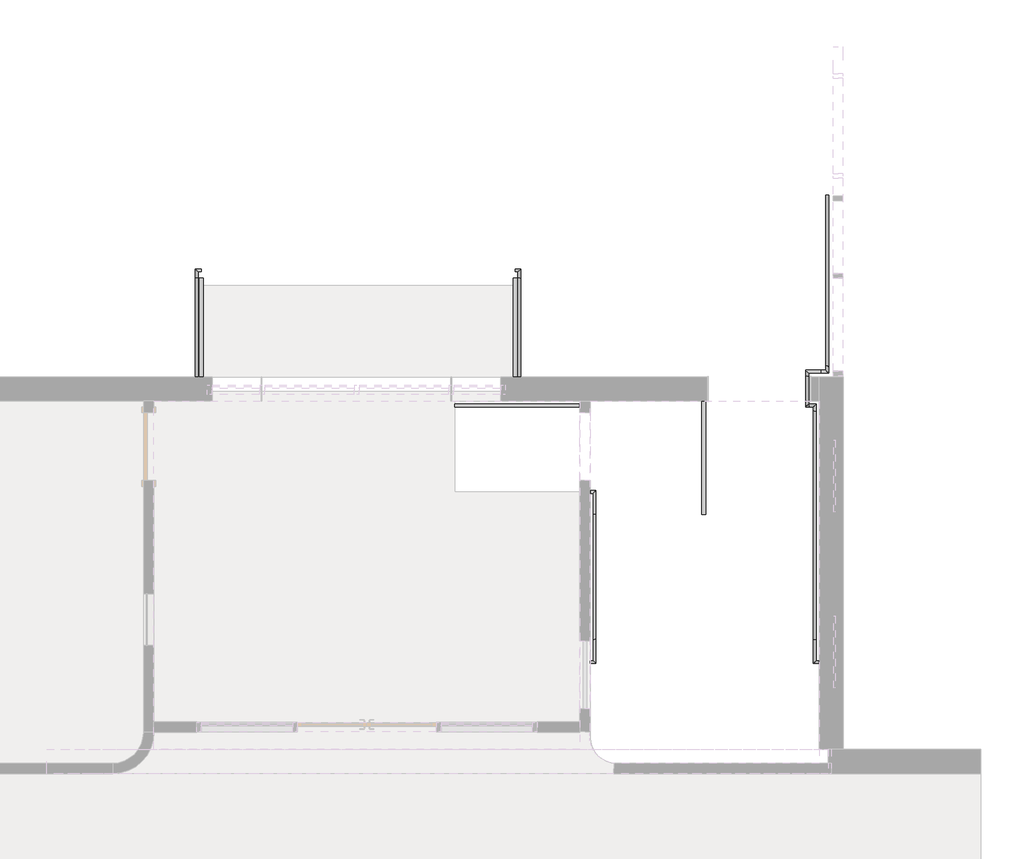
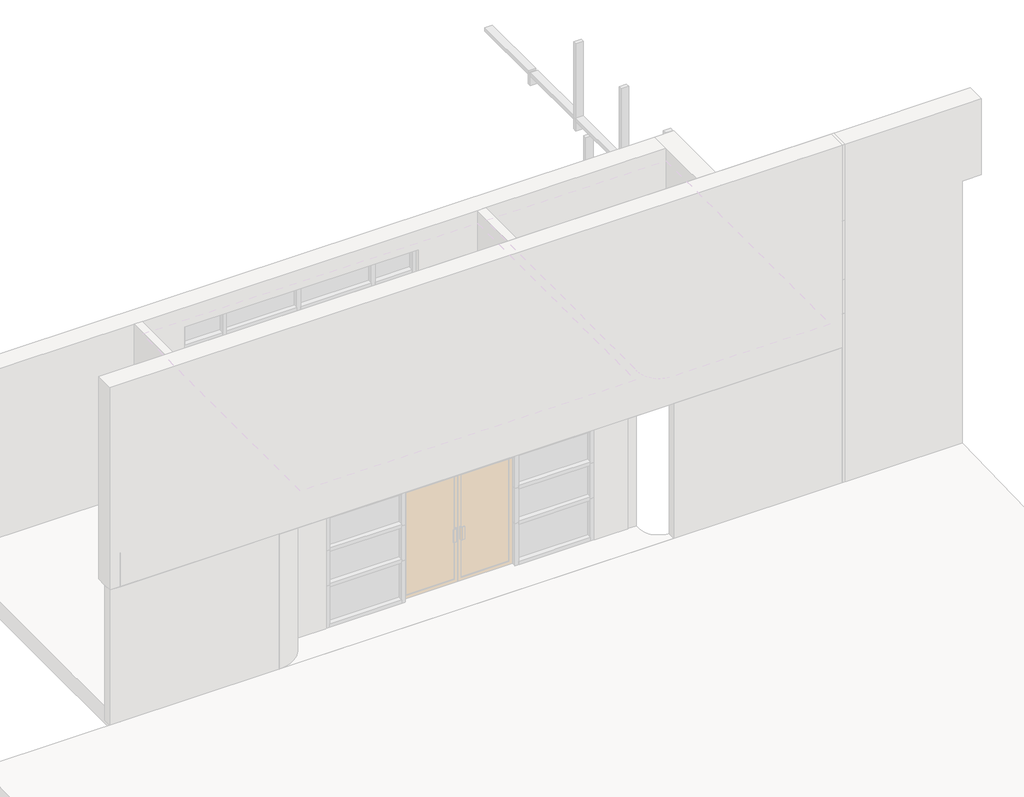
# One storey, part 4 of 4: 6 railings.
"""IFC4 building model written with IfcOpenShell, lengths in millimetres."""

from ifc_helpers import new_model, si_unit, frame, origin, place, context, project, spatial, polyline, circle_curve, ellipse_curve, outline, extrude, element, save
from ifc_brep_helpers import plane_surface, cylinder_surface, advanced_brep

model = new_model("IFC4")

# Units and contexts
model_context = context("Model", 3, world=origin())
ifc_project = project(units=[si_unit("LENGTHUNIT", "METRE", prefix="MILLI")], contexts=[model_context])

# Site, building, storey
site = spatial("IfcSite", under=ifc_project)
building = spatial("IfcBuilding", under=site)
storey = spatial("IfcBuildingStorey", under=building, Elevation=762.0)

# Railings
placement = place(None, origin())
element("IfcRailing", 1, at=placement, inside=storey, context=model_context, shape_type="SweptSolid", body=[
    extrude(outline(polyline([(-232660.6265136, 176633.8898046), (-232711.4265136, 176633.8898046), (-232711.4265136, 178151.5398046), (-232660.6265136, 178151.5398046), (-232660.6265136, 176633.8898046)])), frame((0.0, 0.0, 1498.6), z_axis=(0.0, 0.0, 1.0), x_axis=(1.0, 0.0, 0.0)), (0.0, 0.0, 1.0), 50.8),
    extrude(outline(polyline([(-232695.5515136, 178046.7648046), (-232695.5515136, 178065.8148046), (-232676.5015136, 178065.8148046), (-232676.5015136, 178046.7648046), (-232695.5515136, 178046.7648046)])), frame((0.0, 0.0, 635.0), z_axis=(0.0, 0.0, 1.0), x_axis=(1.0, 0.0, 0.0)), (0.0, 0.0, 1.0), 863.6),
    extrude(outline(polyline([(-232695.5515136, 177945.1648046), (-232695.5515136, 177964.2148046), (-232676.5015136, 177964.2148046), (-232676.5015136, 177945.1648046), (-232695.5515136, 177945.1648046)])), frame((0.0, 0.0, 635.0), z_axis=(0.0, 0.0, 1.0), x_axis=(1.0, 0.0, 0.0)), (0.0, 0.0, 1.0), 863.6),
    extrude(outline(polyline([(-232695.5515136, 177843.5648046), (-232695.5515136, 177862.6148046), (-232676.5015136, 177862.6148046), (-232676.5015136, 177843.5648046), (-232695.5515136, 177843.5648046)])), frame((0.0, 0.0, 635.0), z_axis=(0.0, 0.0, 1.0), x_axis=(1.0, 0.0, 0.0)), (0.0, 0.0, 1.0), 863.6),
    extrude(outline(polyline([(-232695.5515136, 177741.9648046), (-232695.5515136, 177761.0148046), (-232676.5015136, 177761.0148046), (-232676.5015136, 177741.9648046), (-232695.5515136, 177741.9648046)])), frame((0.0, 0.0, 635.0), z_axis=(0.0, 0.0, 1.0), x_axis=(1.0, 0.0, 0.0)), (0.0, 0.0, 1.0), 863.6),
    extrude(outline(polyline([(-232695.5515136, 177640.3648046), (-232695.5515136, 177659.4148046), (-232676.5015136, 177659.4148046), (-232676.5015136, 177640.3648046), (-232695.5515136, 177640.3648046)])), frame((0.0, 0.0, 635.0), z_axis=(0.0, 0.0, 1.0), x_axis=(1.0, 0.0, 0.0)), (0.0, 0.0, 1.0), 863.6),
    extrude(outline(polyline([(-232695.5515136, 177538.7648046), (-232695.5515136, 177557.8148046), (-232676.5015136, 177557.8148046), (-232676.5015136, 177538.7648046), (-232695.5515136, 177538.7648046)])), frame((0.0, 0.0, 635.0), z_axis=(0.0, 0.0, 1.0), x_axis=(1.0, 0.0, 0.0)), (0.0, 0.0, 1.0), 863.6),
    extrude(outline(polyline([(-232695.5515136, 177437.1648046), (-232695.5515136, 177456.2148046), (-232676.5015136, 177456.2148046), (-232676.5015136, 177437.1648046), (-232695.5515136, 177437.1648046)])), frame((0.0, 0.0, 635.0), z_axis=(0.0, 0.0, 1.0), x_axis=(1.0, 0.0, 0.0)), (0.0, 0.0, 1.0), 863.6),
    extrude(outline(polyline([(-232695.5515136, 177335.5648046), (-232695.5515136, 177354.6148046), (-232676.5015136, 177354.6148046), (-232676.5015136, 177335.5648046), (-232695.5515136, 177335.5648046)])), frame((0.0, 0.0, 635.0), z_axis=(0.0, 0.0, 1.0), x_axis=(1.0, 0.0, 0.0)), (0.0, 0.0, 1.0), 863.6),
    extrude(outline(polyline([(-232695.5515136, 177233.9648046), (-232695.5515136, 177253.0148046), (-232676.5015136, 177253.0148046), (-232676.5015136, 177233.9648046), (-232695.5515136, 177233.9648046)])), frame((0.0, 0.0, 635.0), z_axis=(0.0, 0.0, 1.0), x_axis=(1.0, 0.0, 0.0)), (0.0, 0.0, 1.0), 863.6),
    extrude(outline(polyline([(-232695.5515136, 177132.3648046), (-232695.5515136, 177151.4148046), (-232676.5015136, 177151.4148046), (-232676.5015136, 177132.3648046), (-232695.5515136, 177132.3648046)])), frame((0.0, 0.0, 635.0), z_axis=(0.0, 0.0, 1.0), x_axis=(1.0, 0.0, 0.0)), (0.0, 0.0, 1.0), 863.6),
    extrude(outline(polyline([(-232695.5515136, 177030.7648046), (-232695.5515136, 177049.8148046), (-232676.5015136, 177049.8148046), (-232676.5015136, 177030.7648046), (-232695.5515136, 177030.7648046)])), frame((0.0, 0.0, 635.0), z_axis=(0.0, 0.0, 1.0), x_axis=(1.0, 0.0, 0.0)), (0.0, 0.0, 1.0), 863.6),
    extrude(outline(polyline([(-232695.5515136, 176929.1648046), (-232695.5515136, 176948.2148046), (-232676.5015136, 176948.2148046), (-232676.5015136, 176929.1648046), (-232695.5515136, 176929.1648046)])), frame((0.0, 0.0, 635.0), z_axis=(0.0, 0.0, 1.0), x_axis=(1.0, 0.0, 0.0)), (0.0, 0.0, 1.0), 863.6),
    extrude(outline(polyline([(-232695.5515136, 176827.5648046), (-232695.5515136, 176846.6148046), (-232676.5015136, 176846.6148046), (-232676.5015136, 176827.5648046), (-232695.5515136, 176827.5648046)])), frame((0.0, 0.0, 635.0), z_axis=(0.0, 0.0, 1.0), x_axis=(1.0, 0.0, 0.0)), (0.0, 0.0, 1.0), 863.6),
    extrude(outline(polyline([(-232695.5515136, 176725.9648046), (-232695.5515136, 176745.0148046), (-232676.5015136, 176745.0148046), (-232676.5015136, 176725.9648046), (-232695.5515136, 176725.9648046)])), frame((0.0, 0.0, 635.0), z_axis=(0.0, 0.0, 1.0), x_axis=(1.0, 0.0, 0.0)), (0.0, 0.0, 1.0), 863.6),
    extrude(outline(polyline([(-232695.5515136, 178132.4898046), (-232695.5515136, 178151.5398046), (-232676.5015136, 178151.5398046), (-232676.5015136, 178132.4898046), (-232695.5515136, 178132.4898046)])), frame((0.0, 0.0, 635.0), z_axis=(0.0, 0.0, 1.0), x_axis=(1.0, 0.0, 0.0)), (0.0, 0.0, 1.0), 863.6),
    extrude(outline(polyline([(-232695.5515136, 176633.8898046), (-232695.5515136, 176652.9398046), (-232676.5015136, 176652.9398046), (-232676.5015136, 176633.8898046), (-232695.5515136, 176633.8898046)])), frame((0.0, 0.0, 635.0), z_axis=(0.0, 0.0, 1.0), x_axis=(1.0, 0.0, 0.0)), (0.0, 0.0, 1.0), 863.6),
])
element("IfcRailing", 2, ObjectType="HR Straight Wall Both", at=placement, inside=storey, context=model_context, shape_type="AdvancedBrep", body=[
    advanced_brep(
    [(-234171.9265136, 174958.2821813, 1390.65), (-234133.8265136, 174958.2821813, 1390.65), (-234133.8265136, 176634.6821813, 1530.35), (-234171.9265136, 176634.6821813, 1530.35), (-234210.0265136, 174633.6398046, 1390.65), (-234210.0265136, 174671.7398046, 1390.65), (-234133.8265136, 174633.6398046, 1390.65), (-234171.9265136, 174671.7398046, 1390.65), (-234133.8265136, 176957.7398046, 1530.35), (-234171.9265136, 176919.6398046, 1530.35), (-234210.0265136, 176957.7398046, 1530.35), (-234210.0265136, 176919.6398046, 1530.35)],
    [
        (0, 1, ellipse_curve(frame((-234152.8765136, 174958.2821813, 1390.65), z_axis=(0.0, 0.999136066370562, 0.0415586438368737), x_axis=(0.0, 0.041558643836878705, -0.9991360663705616)), 19.0664722, 19.05)),
        (1, 2),
        (2, 3, ellipse_curve(frame((-234152.8765136, 176634.6821813, 1530.35), z_axis=(0.0, -0.999136066370562, -0.0415586438368737), x_axis=(0.0, 0.041558643836878705, -0.9991360663705616)), 19.0664722, 19.05)),
        (3, 0),
        (1, 0, ellipse_curve(frame((-234152.8765136, 174958.2821813, 1390.65), z_axis=(0.0, 0.999136066370562, 0.0415586438368737), x_axis=(0.0, 0.041558643836878705, -0.9991360663705616)), 19.0664722, 19.05)),
        (3, 2, ellipse_curve(frame((-234152.8765136, 176634.6821813, 1530.35), z_axis=(0.0, -0.999136066370562, -0.0415586438368737), x_axis=(0.0, 0.041558643836878705, -0.9991360663705616)), 19.0664722, 19.05)),
        (4, 5, circle_curve(frame((-234210.0265136, 174652.6898046, 1390.65), z_axis=(-1.0, 0.0, 0.0), x_axis=(0.0, 1.0, 0.0)), 19.05)),
        (5, 4, circle_curve(frame((-234210.0265136, 174652.6898046, 1390.65), z_axis=(-1.0, 0.0, 0.0), x_axis=(0.0, 1.0, 0.0)), 19.05)),
        (4, 6),
        (6, 7, ellipse_curve(frame((-234152.8765136, 174652.6898046, 1390.65), z_axis=(-0.7071067811865475, -0.7071067811865475, 0.0), x_axis=(-0.7071067811865476, 0.7071067811865474, 0.0)), 26.9407684, 19.05)),
        (7, 5),
        (7, 6, ellipse_curve(frame((-234152.8765136, 174652.6898046, 1390.65), z_axis=(-0.7071067811865475, -0.7071067811865475, 0.0), x_axis=(-0.7071067811865476, 0.7071067811865474, 0.0)), 26.9407684, 19.05)),
        (6, 1),
        (0, 7),
        (2, 8),
        (8, 9, ellipse_curve(frame((-234152.8765136, 176938.6898046, 1530.35), z_axis=(0.7071067811865475, -0.7071067811865475, 0.0), x_axis=(-0.7071067811865474, -0.7071067811865476, 0.0)), 26.9407684, 19.05)),
        (9, 3),
        (9, 8, ellipse_curve(frame((-234152.8765136, 176938.6898046, 1530.35), z_axis=(0.7071067811865475, -0.7071067811865475, 0.0), x_axis=(-0.7071067811865474, -0.7071067811865476, 0.0)), 26.9407684, 19.05)),
        (10, 11, circle_curve(frame((-234210.0265136, 176938.6898046, 1530.35), z_axis=(-1.0, 0.0, 0.0), x_axis=(0.0, -1.0, 0.0)), 19.05)),
        (11, 10, circle_curve(frame((-234210.0265136, 176938.6898046, 1530.35), z_axis=(-1.0, 0.0, 0.0), x_axis=(0.0, -1.0, 0.0)), 19.05)),
        (8, 10),
        (11, 9),
    ],
    [
        cylinder_surface(frame((-234152.8765136, 174959.071821, 1390.7158033), z_axis=(0.0, -0.9965457582448798, -0.08304547985373838), x_axis=(-1.0, 0.0, 0.0)), 19.05),
        plane_surface(frame((-234210.0265136, 174652.6898046, 1409.7), z_axis=(-1.0, 0.0, 0.0), x_axis=(0.0, 1.0, 0.0))),
        cylinder_surface(frame((-234210.0265136, 174652.6898046, 1390.65), z_axis=(-1.0, 0.0, 0.0), x_axis=(0.0, 1.0, 0.0)), 19.05),
        cylinder_surface(frame((-234152.8765136, 174652.6898046, 1390.65), z_axis=(0.0, -1.0, 0.0), x_axis=(-1.0, 0.0, 0.0)), 19.05),
        cylinder_surface(frame((-234152.8765136, 176633.8898046, 1530.35), z_axis=(0.0, -1.0, 0.0), x_axis=(-1.0, 0.0, 0.0)), 19.05),
        plane_surface(frame((-234210.0265136, 176938.6898046, 1549.4), z_axis=(-1.0, 0.0, 0.0), x_axis=(0.0, -1.0, 0.0))),
        cylinder_surface(frame((-234152.8765136, 176938.6898046, 1530.35), z_axis=(1.0, 0.0, 0.0), x_axis=(0.0, -1.0, 0.0)), 19.05),
    ],
    [
        (0, [[1, 2, 3, 4]]),
        (0, [[5, -4, 6, -2]]),
        (1, [[7, 8]]),
        (2, [[-7, 9, 10, 11]]),
        (2, [[-8, -11, 12, -9]]),
        (3, [[-10, 13, -1, 14]]),
        (3, [[-12, -14, -5, -13]]),
        (4, [[-3, 15, 16, 17]]),
        (4, [[-6, -17, 18, -15]]),
        (5, [[19, 20]]),
        (6, [[-16, 21, -20, 22]]),
        (6, [[-18, -22, -19, -21]]),
    ],
),
])
element("IfcRailing", 3, ObjectType="HR Wall Top Special Bottom", at=placement, inside=storey, context=model_context, shape_type="AdvancedBrep", body=[
    advanced_brep(
    [(-231047.7265136, 180923.3148046, 895.2839686), (-231009.6265136, 180923.3148046, 895.2839686), (-231047.7265136, 178611.9148046, 1087.9006353), (-231009.6265136, 178611.9148046, 1087.9006353), (-231047.7265136, 178611.9148046, 1097.4916667), (-231009.6265136, 178611.9148046, 1097.4916667), (-231047.7265136, 178573.8148046, 1097.4916667), (-231009.6265136, 178535.7148046, 1097.4916667), (-231104.8765136, 178573.8148046, 1097.4916667), (-231104.8765136, 178535.7148046, 1097.4916667), (-231314.4265136, 178573.8148046, 1097.4916667), (-231276.3265136, 178535.7148046, 1097.4916667), (-231314.4265136, 178496.8224279, 1097.4916667), (-231276.3265136, 178496.8224279, 1097.4916667), (-231314.4265136, 178157.0974279, 1125.8020833), (-231276.3265136, 178157.0974279, 1125.8020833), (-231314.4265136, 178081.6898046, 1125.8020833), (-231276.3265136, 178119.7898046, 1125.8020833), (-231250.9265136, 178081.6898046, 1125.8020833), (-231250.9265136, 178119.7898046, 1125.8020833), (-231250.9265136, 178081.6898046, 1136.9145833), (-231250.9265136, 178119.7898046, 1136.9145833), (-231212.8265136, 178081.6898046, 1136.9145833), (-231174.7265136, 178119.7898046, 1136.9145833), (-231212.8265136, 178023.7474279, 1136.9145833), (-231174.7265136, 178023.7474279, 1136.9145833), (-231212.8265136, 174956.6974279, 1392.5020833), (-231174.7265136, 174956.6974279, 1392.5020833), (-231212.8265136, 174633.6398046, 1392.5020833), (-231174.7265136, 174671.7398046, 1392.5020833), (-231136.6265136, 174633.6398046, 1392.5020833), (-231136.6265136, 174671.7398046, 1392.5020833)],
    [
        (0, 1, ellipse_curve(frame((-231028.6765136, 180923.3148046, 895.2839686), z_axis=(0.0, 1.0, 0.0), x_axis=(0.0, 0.0, -1.0)), 19.1160314, 19.05)),
        (1, 0, ellipse_curve(frame((-231028.6765136, 180923.3148046, 895.2839686), z_axis=(0.0, 1.0, 0.0), x_axis=(0.0, 0.0, -1.0)), 19.1160314, 19.05)),
        (0, 2),
        (2, 3, ellipse_curve(frame((-231028.6765136, 178611.9148046, 1087.9006353), z_axis=(0.0, 0.677109488984706, -0.7358822867326474), x_axis=(0.0, 0.7358822867326473, 0.6771094889847059)), 25.8872925, 19.05)),
        (3, 1),
        (3, 2, ellipse_curve(frame((-231028.6765136, 178611.9148046, 1087.9006353), z_axis=(0.0, 0.677109488984706, -0.7358822867326474), x_axis=(0.0, 0.7358822867326473, 0.6771094889847059)), 25.8872925, 19.05)),
        (2, 4),
        (4, 5, ellipse_curve(frame((-231028.6765136, 178611.9148046, 1097.4916667), z_axis=(0.0, 0.7071067811865475, -0.7071067811865476), x_axis=(0.0, -0.7071067811865476, -0.7071067811865474)), 26.9407684, 19.05)),
        (5, 3),
        (5, 4, ellipse_curve(frame((-231028.6765136, 178611.9148046, 1097.4916667), z_axis=(0.0, 0.7071067811865475, -0.7071067811865476), x_axis=(0.0, -0.7071067811865476, -0.7071067811865474)), 26.9407684, 19.05)),
        (4, 6),
        (6, 7, ellipse_curve(frame((-231028.6765136, 178554.7648046, 1097.4916667), z_axis=(0.7071067811864832, 0.7071067811866117, 0.0), x_axis=(-0.7071067811866117, 0.7071067811864834, 0.0)), 26.9407684, 19.05)),
        (7, 5),
        (7, 6, ellipse_curve(frame((-231028.6765136, 178554.7648046, 1097.4916667), z_axis=(0.7071067811864832, 0.7071067811866117, 0.0), x_axis=(-0.7071067811866117, 0.7071067811864834, 0.0)), 26.9407684, 19.05)),
        (6, 8),
        (8, 9, circle_curve(frame((-231104.8765136, 178554.7648046, 1097.4916667), z_axis=(1.0, 0.0, 0.0), x_axis=(0.0, -1.0, 0.0)), 19.05)),
        (9, 7),
        (9, 8, circle_curve(frame((-231104.8765136, 178554.7648046, 1097.4916667), z_axis=(1.0, 0.0, 0.0), x_axis=(0.0, -1.0, 0.0)), 19.05)),
        (8, 10),
        (10, 11, ellipse_curve(frame((-231295.3765136, 178554.7648046, 1097.4916667), z_axis=(0.7071067811864552, 0.7071067811866398, 0.0), x_axis=(0.7071067811866398, -0.7071067811864553, 0.0)), 26.9407684, 19.05)),
        (11, 9),
        (11, 10, ellipse_curve(frame((-231295.3765136, 178554.7648046, 1097.4916667), z_axis=(0.7071067811864552, 0.7071067811866398, 0.0), x_axis=(0.7071067811866398, -0.7071067811864553, 0.0)), 26.9407684, 19.05)),
        (10, 12),
        (12, 13, ellipse_curve(frame((-231295.3765136, 178496.8224279, 1097.4916667), z_axis=(0.0, 0.9991360663705621, -0.04155864383687273), x_axis=(0.0, 0.0415586438368664, 0.9991360663705623)), 19.0664722, 19.05)),
        (13, 11),
        (13, 12, ellipse_curve(frame((-231295.3765136, 178496.8224279, 1097.4916667), z_axis=(0.0, 0.9991360663705621, -0.04155864383687273), x_axis=(0.0, 0.0415586438368664, 0.9991360663705623)), 19.0664722, 19.05)),
        (12, 14),
        (14, 15, ellipse_curve(frame((-231295.3765136, 178157.0974279, 1125.8020833), z_axis=(0.0, 0.9991360663705621, -0.04155864383687273), x_axis=(0.0, -0.041558643836879745, -0.9991360663705616)), 19.0664722, 19.05)),
        (15, 13),
        (15, 14, ellipse_curve(frame((-231295.3765136, 178157.0974279, 1125.8020833), z_axis=(0.0, 0.9991360663705621, -0.04155864383687273), x_axis=(0.0, -0.041558643836879745, -0.9991360663705616)), 19.0664722, 19.05)),
        (14, 16),
        (16, 17, ellipse_curve(frame((-231295.3765136, 178100.7398046, 1125.8020833), z_axis=(-0.7071067811865475, 0.7071067811865475, 0.0), x_axis=(0.7071067811865474, 0.7071067811865477, 0.0)), 26.9407684, 19.05)),
        (17, 15),
        (17, 16, ellipse_curve(frame((-231295.3765136, 178100.7398046, 1125.8020833), z_axis=(-0.7071067811865475, 0.7071067811865475, 0.0), x_axis=(0.7071067811865474, 0.7071067811865477, 0.0)), 26.9407684, 19.05)),
        (16, 18),
        (18, 19, ellipse_curve(frame((-231250.9265136, 178100.7398046, 1125.8020833), z_axis=(-0.7071067811865475, 0.0, -0.7071067811865476), x_axis=(-0.7071067811865476, 0.0, 0.7071067811865474)), 26.9407684, 19.05)),
        (19, 17),
        (19, 18, ellipse_curve(frame((-231250.9265136, 178100.7398046, 1125.8020833), z_axis=(-0.7071067811865475, 0.0, -0.7071067811865476), x_axis=(-0.7071067811865476, 0.0, 0.7071067811865474)), 26.9407684, 19.05)),
        (18, 20),
        (20, 21, ellipse_curve(frame((-231250.9265136, 178100.7398046, 1136.9145833), z_axis=(-0.7071067811865475, 0.0, -0.7071067811865476), x_axis=(0.7071067811865476, 0.0, -0.7071067811865474)), 26.9407684, 19.05)),
        (21, 19),
        (21, 20, ellipse_curve(frame((-231250.9265136, 178100.7398046, 1136.9145833), z_axis=(-0.7071067811865475, 0.0, -0.7071067811865476), x_axis=(0.7071067811865476, 0.0, -0.7071067811865474)), 26.9407684, 19.05)),
        (20, 22),
        (22, 23, ellipse_curve(frame((-231193.7765136, 178100.7398046, 1136.9145833), z_axis=(-0.7071067811865475, 0.7071067811865475, 0.0), x_axis=(-0.7071067811865476, -0.7071067811865474, 0.0)), 26.9407684, 19.05)),
        (23, 21),
        (23, 22, ellipse_curve(frame((-231193.7765136, 178100.7398046, 1136.9145833), z_axis=(-0.7071067811865475, 0.7071067811865475, 0.0), x_axis=(-0.7071067811865476, -0.7071067811865474, 0.0)), 26.9407684, 19.05)),
        (22, 24),
        (24, 25, ellipse_curve(frame((-231193.7765136, 178023.7474279, 1136.9145833), z_axis=(0.0, 0.9991360663705618, -0.04155864383687457), x_axis=(0.0, 0.04155864383687524, 0.9991360663705617)), 19.0664722, 19.05)),
        (25, 23),
        (25, 24, ellipse_curve(frame((-231193.7765136, 178023.7474279, 1136.9145833), z_axis=(0.0, 0.9991360663705618, -0.04155864383687457), x_axis=(0.0, 0.04155864383687524, 0.9991360663705617)), 19.0664722, 19.05)),
        (24, 26),
        (26, 27, ellipse_curve(frame((-231193.7765136, 174956.6974279, 1392.5020833), z_axis=(0.0, 0.9991360663705618, -0.041558643836874576), x_axis=(0.0, -0.04155864383687524, -0.9991360663705617)), 19.0664722, 19.05)),
        (27, 25),
        (27, 26, ellipse_curve(frame((-231193.7765136, 174956.6974279, 1392.5020833), z_axis=(0.0, 0.9991360663705618, -0.041558643836874576), x_axis=(0.0, -0.04155864383687524, -0.9991360663705617)), 19.0664722, 19.05)),
        (26, 28),
        (28, 29, ellipse_curve(frame((-231193.7765136, 174652.6898046, 1392.5020833), z_axis=(-0.7071067811865475, 0.7071067811865475, 0.0), x_axis=(0.7071067811865474, 0.7071067811865477, 0.0)), 26.9407684, 19.05)),
        (29, 27),
        (29, 28, ellipse_curve(frame((-231193.7765136, 174652.6898046, 1392.5020833), z_axis=(-0.7071067811865475, 0.7071067811865475, 0.0), x_axis=(0.7071067811865474, 0.7071067811865477, 0.0)), 26.9407684, 19.05)),
        (30, 31, circle_curve(frame((-231136.6265136, 174652.6898046, 1392.5020833), z_axis=(1.0, 0.0, 0.0), x_axis=(0.0, 1.0, 0.0)), 19.05)),
        (31, 30, circle_curve(frame((-231136.6265136, 174652.6898046, 1392.5020833), z_axis=(1.0, 0.0, 0.0), x_axis=(0.0, 1.0, 0.0)), 19.05)),
        (28, 30),
        (31, 29),
    ],
    [
        plane_surface(frame((-231028.6765136, 180923.3148046, 914.4), z_axis=(0.0, 1.0, 0.0), x_axis=(0.0, 0.0, -1.0))),
        cylinder_surface(frame((-231028.6765136, 180921.7327882, 895.4158033), z_axis=(0.0, 0.9965457582448796, -0.08304547985374049), x_axis=(1.0, 0.0, 0.0)), 19.05),
        cylinder_surface(frame((-231028.6765136, 178611.9148046, 1105.4291667), z_axis=(0.0, 0.0, -1.0), x_axis=(1.0, 0.0, 0.0)), 19.05),
        cylinder_surface(frame((-231028.6765136, 178630.9648046, 1097.4916667), z_axis=(0.0, 1.0, 0.0), x_axis=(1.0, 0.0, 0.0)), 19.05),
        cylinder_surface(frame((-231028.6765136, 178554.7648046, 1097.4916667), z_axis=(1.0, 0.0, 0.0), x_axis=(0.0, -1.0, 0.0)), 19.05),
        cylinder_surface(frame((-231104.8765136, 178554.7648046, 1097.4916667), z_axis=(1.0, 0.0, 0.0), x_axis=(0.0, -1.0, 0.0)), 19.05),
        cylinder_surface(frame((-231295.3765136, 178554.7648046, 1097.4916667), z_axis=(0.0, 1.0, 0.0), x_axis=(1.0, 0.0, 0.0)), 19.05),
        cylinder_surface(frame((-231295.3765136, 178496.0327882, 1097.55747), z_axis=(0.0, 0.99654575824488, -0.08304547985373636), x_axis=(1.0, 0.0, 0.0)), 19.05),
        cylinder_surface(frame((-231295.3765136, 178157.8898046, 1125.8020833), z_axis=(0.0, 1.0, 0.0), x_axis=(1.0, 0.0, 0.0)), 19.05),
        cylinder_surface(frame((-231295.3765136, 178100.7398046, 1125.8020833), z_axis=(-1.0, 0.0, 0.0), x_axis=(0.0, 1.0, 0.0)), 19.05),
        cylinder_surface(frame((-231250.9265136, 178100.7398046, 1144.8520833), z_axis=(0.0, 0.0, -1.0), x_axis=(0.0, 1.0, 0.0)), 19.05),
        cylinder_surface(frame((-231269.9765136, 178100.7398046, 1136.9145833), z_axis=(-1.0, 0.0, 0.0), x_axis=(0.0, 1.0, 0.0)), 19.05),
        cylinder_surface(frame((-231193.7765136, 178100.7398046, 1136.9145833), z_axis=(0.0, 1.0, 0.0), x_axis=(1.0, 0.0, 0.0)), 19.05),
        cylinder_surface(frame((-231193.7765136, 178022.9577882, 1136.9803866), z_axis=(0.0, 0.9965457582448797, -0.08304547985374004), x_axis=(1.0, 0.0, 0.0)), 19.05),
        cylinder_surface(frame((-231193.7765136, 174957.4898046, 1392.5020833), z_axis=(0.0, 1.0, 0.0), x_axis=(1.0, 0.0, 0.0)), 19.05),
        plane_surface(frame((-231136.6265136, 174652.6898046, 1411.5520833), z_axis=(1.0, 0.0, 0.0), x_axis=(0.0, 1.0, 0.0))),
        cylinder_surface(frame((-231193.7765136, 174652.6898046, 1392.5020833), z_axis=(-1.0, 0.0, 0.0), x_axis=(0.0, 1.0, 0.0)), 19.05),
    ],
    [
        (0, [[1, 2]]),
        (1, [[-1, 3, 4, 5]]),
        (1, [[-2, -5, 6, -3]]),
        (2, [[-4, 7, 8, 9]]),
        (2, [[-6, -9, 10, -7]]),
        (3, [[-8, 11, 12, 13]]),
        (3, [[-10, -13, 14, -11]]),
        (4, [[-12, 15, 16, 17]]),
        (4, [[-14, -17, 18, -15]]),
        (5, [[-16, 19, 20, 21]]),
        (5, [[-18, -21, 22, -19]]),
        (6, [[-20, 23, 24, 25]]),
        (6, [[-22, -25, 26, -23]]),
        (7, [[-24, 27, 28, 29]]),
        (7, [[-26, -29, 30, -27]]),
        (8, [[-28, 31, 32, 33]]),
        (8, [[-30, -33, 34, -31]]),
        (9, [[-32, 35, 36, 37]]),
        (9, [[-34, -37, 38, -35]]),
        (10, [[-36, 39, 40, 41]]),
        (10, [[-38, -41, 42, -39]]),
        (11, [[-40, 43, 44, 45]]),
        (11, [[-42, -45, 46, -43]]),
        (12, [[-44, 47, 48, 49]]),
        (12, [[-46, -49, 50, -47]]),
        (13, [[-48, 51, 52, 53]]),
        (13, [[-50, -53, 54, -51]]),
        (14, [[-52, 55, 56, 57]]),
        (14, [[-54, -57, 58, -55]]),
        (15, [[59, 60]]),
        (16, [[-56, 61, -60, 62]]),
        (16, [[-58, -62, -59, -61]]),
    ],
),
])
element("IfcRailing", 4, ObjectType="Handrail - Rectangular", at=placement, inside=storey, context=model_context, shape_type="SolidModel", body=[
    advanced_brep(
    [(-239472.5890136, 179813.6523046, 1657.35), (-239510.6890136, 179813.6523046, 1657.35), (-239510.6890136, 178484.9148046, 1657.35), (-239472.5890136, 178484.9148046, 1657.35), (-239434.4890136, 179934.3023046, 1657.35), (-239434.4890136, 179896.2023046, 1657.35), (-239510.6890136, 179934.3023046, 1657.35), (-239472.5890136, 179896.2023046, 1657.35), (-239510.6890136, 178180.1148046, 1657.35), (-239472.5890136, 178180.1148046, 1657.35)],
    [
        (0, 1, circle_curve(frame((-239491.6390136, 179813.6523046, 1657.35), z_axis=(0.0, -1.0, 0.0), x_axis=(1.0, 0.0, 0.0)), 19.05)),
        (1, 2),
        (2, 3, circle_curve(frame((-239491.6390136, 178484.9148046, 1657.35), z_axis=(0.0, 1.0, 0.0), x_axis=(1.0, 0.0, 0.0)), 19.05)),
        (3, 0),
        (1, 0, circle_curve(frame((-239491.6390136, 179813.6523046, 1657.35), z_axis=(0.0, -1.0, 0.0), x_axis=(1.0, 0.0, 0.0)), 19.05)),
        (3, 2, circle_curve(frame((-239491.6390136, 178484.9148046, 1657.35), z_axis=(0.0, 1.0, 0.0), x_axis=(1.0, 0.0, 0.0)), 19.05)),
        (4, 5, circle_curve(frame((-239434.4890136, 179915.2523046, 1657.35), z_axis=(1.0, 0.0, 0.0), x_axis=(0.0, -1.0, 0.0)), 19.05)),
        (5, 4, circle_curve(frame((-239434.4890136, 179915.2523046, 1657.35), z_axis=(1.0, 0.0, 0.0), x_axis=(0.0, -1.0, 0.0)), 19.05)),
        (4, 6),
        (6, 7, ellipse_curve(frame((-239491.6390136, 179915.2523046, 1657.35), z_axis=(0.7071067811865475, 0.7071067811865475, 0.0), x_axis=(0.7071067811865476, -0.7071067811865474, 0.0)), 26.9407684, 19.05)),
        (7, 5),
        (7, 6, ellipse_curve(frame((-239491.6390136, 179915.2523046, 1657.35), z_axis=(0.7071067811865475, 0.7071067811865475, 0.0), x_axis=(0.7071067811865476, -0.7071067811865474, 0.0)), 26.9407684, 19.05)),
        (6, 1),
        (0, 7),
        (8, 9, circle_curve(frame((-239491.6390136, 178180.1148046, 1657.35), z_axis=(0.0, -1.0, 0.0), x_axis=(1.0, 0.0, 0.0)), 19.05)),
        (9, 8, circle_curve(frame((-239491.6390136, 178180.1148046, 1657.35), z_axis=(0.0, -1.0, 0.0), x_axis=(1.0, 0.0, 0.0)), 19.05)),
        (2, 8),
        (9, 3),
    ],
    [
        cylinder_surface(frame((-239491.6390136, 179813.6523046, 1657.35), z_axis=(0.0, 1.0, 0.0), x_axis=(1.0, 0.0, 0.0)), 19.05),
        plane_surface(frame((-239434.4890136, 179915.2523046, 1676.4), z_axis=(1.0, 0.0, 0.0), x_axis=(0.0, -1.0, 0.0))),
        cylinder_surface(frame((-239434.4890136, 179915.2523046, 1657.35), z_axis=(1.0, 0.0, 0.0), x_axis=(0.0, -1.0, 0.0)), 19.05),
        cylinder_surface(frame((-239491.6390136, 179915.2523046, 1657.35), z_axis=(0.0, 1.0, 0.0), x_axis=(1.0, 0.0, 0.0)), 19.05),
        plane_surface(frame((-239491.6390136, 178180.1148046, 1676.4), z_axis=(0.0, -1.0, 0.0), x_axis=(0.0, 0.0, -1.0))),
        cylinder_surface(frame((-239491.6390136, 178484.9148046, 1657.35), z_axis=(0.0, 1.0, 0.0), x_axis=(1.0, 0.0, 0.0)), 19.05),
    ],
    [
        (0, [[1, 2, 3, 4]]),
        (0, [[5, -4, 6, -2]]),
        (1, [[7, 8]]),
        (2, [[-7, 9, 10, 11]]),
        (2, [[-8, -11, 12, -9]]),
        (3, [[-10, 13, -1, 14]]),
        (3, [[-12, -14, -5, -13]]),
        (4, [[15, 16]]),
        (5, [[-3, 17, -16, 18]]),
        (5, [[-6, -18, -15, -17]]),
    ],
),
    extrude(outline(polyline([(-239459.8890136, 179813.6523046), (-239409.0890136, 179813.6523046), (-239409.0890136, 178484.9148046), (-239459.8890136, 178484.9148046), (-239459.8890136, 179813.6523046)])), frame((0.0, 0.0, 1625.6), z_axis=(0.0, 0.0, 1.0), x_axis=(1.0, 0.0, 0.0)), (0.0, 0.0, 1.0), 50.8),
    extrude(outline(polyline([(-239444.0140136, 178502.3773046), (-239424.9640136, 178502.3773046), (-239424.9640136, 178483.3273046), (-239444.0140136, 178483.3273046), (-239444.0140136, 178502.3773046)])), frame((0.0, 0.0, 762.0), z_axis=(0.0, 0.0, 1.0), x_axis=(1.0, 0.0, 0.0)), (0.0, 0.0, 1.0), 863.6),
    extrude(outline(polyline([(-239444.0140136, 178603.9773046), (-239424.9640136, 178603.9773046), (-239424.9640136, 178584.9273046), (-239444.0140136, 178584.9273046), (-239444.0140136, 178603.9773046)])), frame((0.0, 0.0, 762.0), z_axis=(0.0, 0.0, 1.0), x_axis=(1.0, 0.0, 0.0)), (0.0, 0.0, 1.0), 863.6),
    extrude(outline(polyline([(-239444.0140136, 178705.5773046), (-239424.9640136, 178705.5773046), (-239424.9640136, 178686.5273046), (-239444.0140136, 178686.5273046), (-239444.0140136, 178705.5773046)])), frame((0.0, 0.0, 762.0), z_axis=(0.0, 0.0, 1.0), x_axis=(1.0, 0.0, 0.0)), (0.0, 0.0, 1.0), 863.6),
    extrude(outline(polyline([(-239444.0140136, 178807.1773046), (-239424.9640136, 178807.1773046), (-239424.9640136, 178788.1273046), (-239444.0140136, 178788.1273046), (-239444.0140136, 178807.1773046)])), frame((0.0, 0.0, 762.0), z_axis=(0.0, 0.0, 1.0), x_axis=(1.0, 0.0, 0.0)), (0.0, 0.0, 1.0), 863.6),
    extrude(outline(polyline([(-239444.0140136, 178908.7773046), (-239424.9640136, 178908.7773046), (-239424.9640136, 178889.7273046), (-239444.0140136, 178889.7273046), (-239444.0140136, 178908.7773046)])), frame((0.0, 0.0, 762.0), z_axis=(0.0, 0.0, 1.0), x_axis=(1.0, 0.0, 0.0)), (0.0, 0.0, 1.0), 863.6),
    extrude(outline(polyline([(-239444.0140136, 179010.3773046), (-239424.9640136, 179010.3773046), (-239424.9640136, 178991.3273046), (-239444.0140136, 178991.3273046), (-239444.0140136, 179010.3773046)])), frame((0.0, 0.0, 762.0), z_axis=(0.0, 0.0, 1.0), x_axis=(1.0, 0.0, 0.0)), (0.0, 0.0, 1.0), 863.6),
    extrude(outline(polyline([(-239444.0140136, 179111.9773046), (-239424.9640136, 179111.9773046), (-239424.9640136, 179092.9273046), (-239444.0140136, 179092.9273046), (-239444.0140136, 179111.9773046)])), frame((0.0, 0.0, 762.0), z_axis=(0.0, 0.0, 1.0), x_axis=(1.0, 0.0, 0.0)), (0.0, 0.0, 1.0), 863.6),
    extrude(outline(polyline([(-239444.0140136, 179213.5773046), (-239424.9640136, 179213.5773046), (-239424.9640136, 179194.5273046), (-239444.0140136, 179194.5273046), (-239444.0140136, 179213.5773046)])), frame((0.0, 0.0, 762.0), z_axis=(0.0, 0.0, 1.0), x_axis=(1.0, 0.0, 0.0)), (0.0, 0.0, 1.0), 863.6),
    extrude(outline(polyline([(-239444.0140136, 179315.1773046), (-239424.9640136, 179315.1773046), (-239424.9640136, 179296.1273046), (-239444.0140136, 179296.1273046), (-239444.0140136, 179315.1773046)])), frame((0.0, 0.0, 762.0), z_axis=(0.0, 0.0, 1.0), x_axis=(1.0, 0.0, 0.0)), (0.0, 0.0, 1.0), 863.6),
    extrude(outline(polyline([(-239444.0140136, 179416.7773046), (-239424.9640136, 179416.7773046), (-239424.9640136, 179397.7273046), (-239444.0140136, 179397.7273046), (-239444.0140136, 179416.7773046)])), frame((0.0, 0.0, 762.0), z_axis=(0.0, 0.0, 1.0), x_axis=(1.0, 0.0, 0.0)), (0.0, 0.0, 1.0), 863.6),
    extrude(outline(polyline([(-239444.0140136, 179518.3773046), (-239424.9640136, 179518.3773046), (-239424.9640136, 179499.3273046), (-239444.0140136, 179499.3273046), (-239444.0140136, 179518.3773046)])), frame((0.0, 0.0, 762.0), z_axis=(0.0, 0.0, 1.0), x_axis=(1.0, 0.0, 0.0)), (0.0, 0.0, 1.0), 863.6),
    extrude(outline(polyline([(-239444.0140136, 179619.9773046), (-239424.9640136, 179619.9773046), (-239424.9640136, 179600.9273046), (-239444.0140136, 179600.9273046), (-239444.0140136, 179619.9773046)])), frame((0.0, 0.0, 762.0), z_axis=(0.0, 0.0, 1.0), x_axis=(1.0, 0.0, 0.0)), (0.0, 0.0, 1.0), 863.6),
    extrude(outline(polyline([(-239444.0140136, 179721.5773046), (-239424.9640136, 179721.5773046), (-239424.9640136, 179702.5273046), (-239444.0140136, 179702.5273046), (-239444.0140136, 179721.5773046)])), frame((0.0, 0.0, 762.0), z_axis=(0.0, 0.0, 1.0), x_axis=(1.0, 0.0, 0.0)), (0.0, 0.0, 1.0), 863.6),
    extrude(outline(polyline([(-239444.0140136, 178503.9648046), (-239424.9640136, 178503.9648046), (-239424.9640136, 178484.9148046), (-239444.0140136, 178484.9148046), (-239444.0140136, 178503.9648046)])), frame((0.0, 0.0, 762.0), z_axis=(0.0, 0.0, 1.0), x_axis=(1.0, 0.0, 0.0)), (0.0, 0.0, 1.0), 863.6),
    extrude(outline(polyline([(-239444.0140136, 179813.6523046), (-239424.9640136, 179813.6523046), (-239424.9640136, 179794.6023046), (-239444.0140136, 179794.6023046), (-239444.0140136, 179813.6523046)])), frame((0.0, 0.0, 762.0), z_axis=(0.0, 0.0, 1.0), x_axis=(1.0, 0.0, 0.0)), (0.0, 0.0, 1.0), 863.6),
])
element("IfcRailing", 5, ObjectType="Handrail - Rectangular", at=placement, inside=storey, context=model_context, shape_type="SolidModel", body=[
    advanced_brep(
    [(-235141.8890136, 179813.6523046, 1657.35), (-235179.9890136, 179813.6523046, 1657.35), (-235179.9890136, 178484.9148046, 1657.35), (-235141.8890136, 178484.9148046, 1657.35), (-235218.0890136, 179896.2023046, 1657.35), (-235218.0890136, 179934.3023046, 1657.35), (-235179.9890136, 179896.2023046, 1657.35), (-235141.8890136, 179934.3023046, 1657.35), (-235179.9890136, 178180.1148046, 1657.35), (-235141.8890136, 178180.1148046, 1657.35)],
    [
        (0, 1, circle_curve(frame((-235160.9390136, 179813.6523046, 1657.35), z_axis=(0.0, -1.0, 0.0), x_axis=(1.0, 0.0, 0.0)), 19.05)),
        (1, 2),
        (2, 3, circle_curve(frame((-235160.9390136, 178484.9148046, 1657.35), z_axis=(0.0, 1.0, 0.0), x_axis=(1.0, 0.0, 0.0)), 19.05)),
        (3, 0),
        (1, 0, circle_curve(frame((-235160.9390136, 179813.6523046, 1657.35), z_axis=(0.0, -1.0, 0.0), x_axis=(1.0, 0.0, 0.0)), 19.05)),
        (3, 2, circle_curve(frame((-235160.9390136, 178484.9148046, 1657.35), z_axis=(0.0, 1.0, 0.0), x_axis=(1.0, 0.0, 0.0)), 19.05)),
        (4, 5, circle_curve(frame((-235218.0890136, 179915.2523046, 1657.35), z_axis=(-1.0, 0.0, 0.0), x_axis=(0.0, 1.0, 0.0)), 19.05)),
        (5, 4, circle_curve(frame((-235218.0890136, 179915.2523046, 1657.35), z_axis=(-1.0, 0.0, 0.0), x_axis=(0.0, 1.0, 0.0)), 19.05)),
        (4, 6),
        (6, 7, ellipse_curve(frame((-235160.9390136, 179915.2523046, 1657.35), z_axis=(-0.7071067811865475, 0.7071067811865475, 0.0), x_axis=(-0.7071067811865476, -0.7071067811865474, 0.0)), 26.9407684, 19.05)),
        (7, 5),
        (7, 6, ellipse_curve(frame((-235160.9390136, 179915.2523046, 1657.35), z_axis=(-0.7071067811865475, 0.7071067811865475, 0.0), x_axis=(-0.7071067811865476, -0.7071067811865474, 0.0)), 26.9407684, 19.05)),
        (6, 1),
        (0, 7),
        (8, 9, circle_curve(frame((-235160.9390136, 178180.1148046, 1657.35), z_axis=(0.0, -1.0, 0.0), x_axis=(1.0, 0.0, 0.0)), 19.05)),
        (9, 8, circle_curve(frame((-235160.9390136, 178180.1148046, 1657.35), z_axis=(0.0, -1.0, 0.0), x_axis=(1.0, 0.0, 0.0)), 19.05)),
        (2, 8),
        (9, 3),
    ],
    [
        cylinder_surface(frame((-235160.9390136, 179813.6523046, 1657.35), z_axis=(0.0, 1.0, 0.0), x_axis=(1.0, 0.0, 0.0)), 19.05),
        plane_surface(frame((-235218.0890136, 179915.2523046, 1676.4), z_axis=(-1.0, 0.0, 0.0), x_axis=(0.0, 1.0, 0.0))),
        cylinder_surface(frame((-235218.0890136, 179915.2523046, 1657.35), z_axis=(-1.0, 0.0, 0.0), x_axis=(0.0, 1.0, 0.0)), 19.05),
        cylinder_surface(frame((-235160.9390136, 179915.2523046, 1657.35), z_axis=(0.0, 1.0, 0.0), x_axis=(1.0, 0.0, 0.0)), 19.05),
        plane_surface(frame((-235160.9390136, 178180.1148046, 1676.4), z_axis=(0.0, -1.0, 0.0), x_axis=(0.0, 0.0, -1.0))),
        cylinder_surface(frame((-235160.9390136, 178484.9148046, 1657.35), z_axis=(0.0, 1.0, 0.0), x_axis=(1.0, 0.0, 0.0)), 19.05),
    ],
    [
        (0, [[1, 2, 3, 4]]),
        (0, [[5, -4, 6, -2]]),
        (1, [[7, 8]]),
        (2, [[-7, 9, 10, 11]]),
        (2, [[-8, -11, 12, -9]]),
        (3, [[-10, 13, -1, 14]]),
        (3, [[-12, -14, -5, -13]]),
        (4, [[15, 16]]),
        (5, [[-3, 17, -16, 18]]),
        (5, [[-6, -18, -15, -17]]),
    ],
),
    extrude(outline(polyline([(-235243.4890136, 179813.6523046), (-235192.6890136, 179813.6523046), (-235192.6890136, 178484.9148046), (-235243.4890136, 178484.9148046), (-235243.4890136, 179813.6523046)])), frame((0.0, 0.0, 1625.6), z_axis=(0.0, 0.0, 1.0), x_axis=(1.0, 0.0, 0.0)), (0.0, 0.0, 1.0), 50.8),
    extrude(outline(polyline([(-235208.5640136, 178502.3773046), (-235208.5640136, 178483.3273046), (-235227.6140136, 178483.3273046), (-235227.6140136, 178502.3773046), (-235208.5640136, 178502.3773046)])), frame((0.0, 0.0, 762.0), z_axis=(0.0, 0.0, 1.0), x_axis=(1.0, 0.0, 0.0)), (0.0, 0.0, 1.0), 863.6),
    extrude(outline(polyline([(-235208.5640136, 178603.9773046), (-235208.5640136, 178584.9273046), (-235227.6140136, 178584.9273046), (-235227.6140136, 178603.9773046), (-235208.5640136, 178603.9773046)])), frame((0.0, 0.0, 762.0), z_axis=(0.0, 0.0, 1.0), x_axis=(1.0, 0.0, 0.0)), (0.0, 0.0, 1.0), 863.6),
    extrude(outline(polyline([(-235208.5640136, 178705.5773046), (-235208.5640136, 178686.5273046), (-235227.6140136, 178686.5273046), (-235227.6140136, 178705.5773046), (-235208.5640136, 178705.5773046)])), frame((0.0, 0.0, 762.0), z_axis=(0.0, 0.0, 1.0), x_axis=(1.0, 0.0, 0.0)), (0.0, 0.0, 1.0), 863.6),
    extrude(outline(polyline([(-235208.5640136, 178807.1773046), (-235208.5640136, 178788.1273046), (-235227.6140136, 178788.1273046), (-235227.6140136, 178807.1773046), (-235208.5640136, 178807.1773046)])), frame((0.0, 0.0, 762.0), z_axis=(0.0, 0.0, 1.0), x_axis=(1.0, 0.0, 0.0)), (0.0, 0.0, 1.0), 863.6),
    extrude(outline(polyline([(-235208.5640136, 178908.7773046), (-235208.5640136, 178889.7273046), (-235227.6140136, 178889.7273046), (-235227.6140136, 178908.7773046), (-235208.5640136, 178908.7773046)])), frame((0.0, 0.0, 762.0), z_axis=(0.0, 0.0, 1.0), x_axis=(1.0, 0.0, 0.0)), (0.0, 0.0, 1.0), 863.6),
    extrude(outline(polyline([(-235208.5640136, 179010.3773046), (-235208.5640136, 178991.3273046), (-235227.6140136, 178991.3273046), (-235227.6140136, 179010.3773046), (-235208.5640136, 179010.3773046)])), frame((0.0, 0.0, 762.0), z_axis=(0.0, 0.0, 1.0), x_axis=(1.0, 0.0, 0.0)), (0.0, 0.0, 1.0), 863.6),
    extrude(outline(polyline([(-235208.5640136, 179111.9773046), (-235208.5640136, 179092.9273046), (-235227.6140136, 179092.9273046), (-235227.6140136, 179111.9773046), (-235208.5640136, 179111.9773046)])), frame((0.0, 0.0, 762.0), z_axis=(0.0, 0.0, 1.0), x_axis=(1.0, 0.0, 0.0)), (0.0, 0.0, 1.0), 863.6),
    extrude(outline(polyline([(-235208.5640136, 179213.5773046), (-235208.5640136, 179194.5273046), (-235227.6140136, 179194.5273046), (-235227.6140136, 179213.5773046), (-235208.5640136, 179213.5773046)])), frame((0.0, 0.0, 762.0), z_axis=(0.0, 0.0, 1.0), x_axis=(1.0, 0.0, 0.0)), (0.0, 0.0, 1.0), 863.6),
    extrude(outline(polyline([(-235208.5640136, 179315.1773046), (-235208.5640136, 179296.1273046), (-235227.6140136, 179296.1273046), (-235227.6140136, 179315.1773046), (-235208.5640136, 179315.1773046)])), frame((0.0, 0.0, 762.0), z_axis=(0.0, 0.0, 1.0), x_axis=(1.0, 0.0, 0.0)), (0.0, 0.0, 1.0), 863.6),
    extrude(outline(polyline([(-235208.5640136, 179416.7773046), (-235208.5640136, 179397.7273046), (-235227.6140136, 179397.7273046), (-235227.6140136, 179416.7773046), (-235208.5640136, 179416.7773046)])), frame((0.0, 0.0, 762.0), z_axis=(0.0, 0.0, 1.0), x_axis=(1.0, 0.0, 0.0)), (0.0, 0.0, 1.0), 863.6),
    extrude(outline(polyline([(-235208.5640136, 179518.3773046), (-235208.5640136, 179499.3273046), (-235227.6140136, 179499.3273046), (-235227.6140136, 179518.3773046), (-235208.5640136, 179518.3773046)])), frame((0.0, 0.0, 762.0), z_axis=(0.0, 0.0, 1.0), x_axis=(1.0, 0.0, 0.0)), (0.0, 0.0, 1.0), 863.6),
    extrude(outline(polyline([(-235208.5640136, 179619.9773046), (-235208.5640136, 179600.9273046), (-235227.6140136, 179600.9273046), (-235227.6140136, 179619.9773046), (-235208.5640136, 179619.9773046)])), frame((0.0, 0.0, 762.0), z_axis=(0.0, 0.0, 1.0), x_axis=(1.0, 0.0, 0.0)), (0.0, 0.0, 1.0), 863.6),
    extrude(outline(polyline([(-235208.5640136, 179721.5773046), (-235208.5640136, 179702.5273046), (-235227.6140136, 179702.5273046), (-235227.6140136, 179721.5773046), (-235208.5640136, 179721.5773046)])), frame((0.0, 0.0, 762.0), z_axis=(0.0, 0.0, 1.0), x_axis=(1.0, 0.0, 0.0)), (0.0, 0.0, 1.0), 863.6),
    extrude(outline(polyline([(-235208.5640136, 178503.9648046), (-235208.5640136, 178484.9148046), (-235227.6140136, 178484.9148046), (-235227.6140136, 178503.9648046), (-235208.5640136, 178503.9648046)])), frame((0.0, 0.0, 762.0), z_axis=(0.0, 0.0, 1.0), x_axis=(1.0, 0.0, 0.0)), (0.0, 0.0, 1.0), 863.6),
    extrude(outline(polyline([(-235208.5640136, 179813.6523046), (-235208.5640136, 179794.6023046), (-235227.6140136, 179794.6023046), (-235227.6140136, 179813.6523046), (-235208.5640136, 179813.6523046)])), frame((0.0, 0.0, 762.0), z_axis=(0.0, 0.0, 1.0), x_axis=(1.0, 0.0, 0.0)), (0.0, 0.0, 1.0), 863.6),
])
element("IfcRailing", 6, ObjectType="Upper Landing Special", at=placement, inside=storey, context=model_context, shape_type="AdvancedBrep", body=[
    advanced_brep(
    [(-234349.7265136, 178119.7898046, 1540.0727083), (-234349.7265136, 178081.6898046, 1540.0727083), (-236026.1265136, 178119.7898046, 1657.3034775), (-236026.1265136, 178081.6898046, 1657.3034775)],
    [
        (0, 1, ellipse_curve(frame((-234349.7265136, 178100.7398046, 1540.0727083), z_axis=(1.0, 0.0, 0.0), x_axis=(0.0, 0.0, -1.0)), 19.0965225, 19.05)),
        (1, 0, ellipse_curve(frame((-234349.7265136, 178100.7398046, 1540.0727083), z_axis=(1.0, 0.0, 0.0), x_axis=(0.0, 0.0, -1.0)), 19.0965225, 19.05)),
        (2, 3, ellipse_curve(frame((-236026.1265136, 178100.7398046, 1657.3034775), z_axis=(-1.0, 0.0, 0.0), x_axis=(0.0, 0.0, -1.0)), 19.0965225, 19.05)),
        (3, 2, ellipse_curve(frame((-236026.1265136, 178100.7398046, 1657.3034775), z_axis=(-1.0, 0.0, 0.0), x_axis=(0.0, 0.0, -1.0)), 19.0965225, 19.05)),
        (0, 2),
        (3, 1),
    ],
    [
        plane_surface(frame((-234349.7265136, 178100.7398046, 1559.1692308), z_axis=(1.0, 0.0, 0.0), x_axis=(0.0, -1.0, 0.0))),
        plane_surface(frame((-236026.1265136, 178100.7398046, 1676.4), z_axis=(-1.0, 0.0, 0.0), x_axis=(0.0, -1.0, 0.0))),
        cylinder_surface(frame((-234351.055436, 178100.7398046, 1540.1656399), z_axis=(0.9975638240948456, 0.0, -0.06975970797865996), x_axis=(0.0, -1.0, 0.0)), 19.05),
    ],
    [
        (0, [[1, 2]]),
        (1, [[3, 4]]),
        (2, [[-1, 5, -4, 6]]),
        (2, [[-2, -6, -3, -5]]),
    ],
),
])

save(model, "model.ifc")
